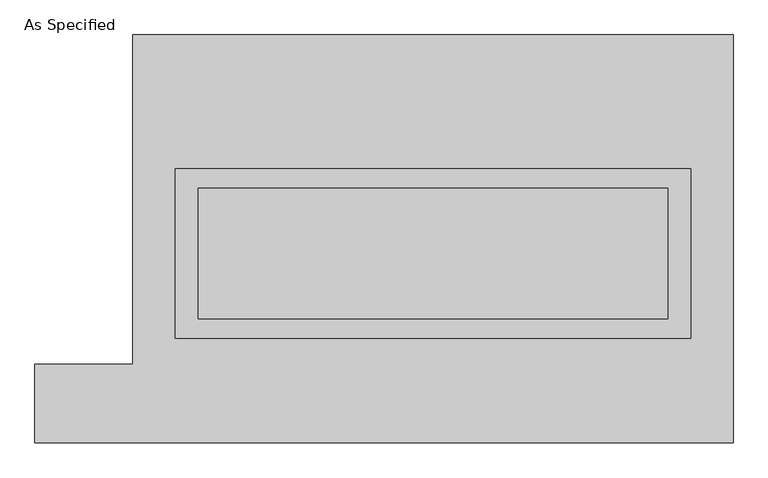
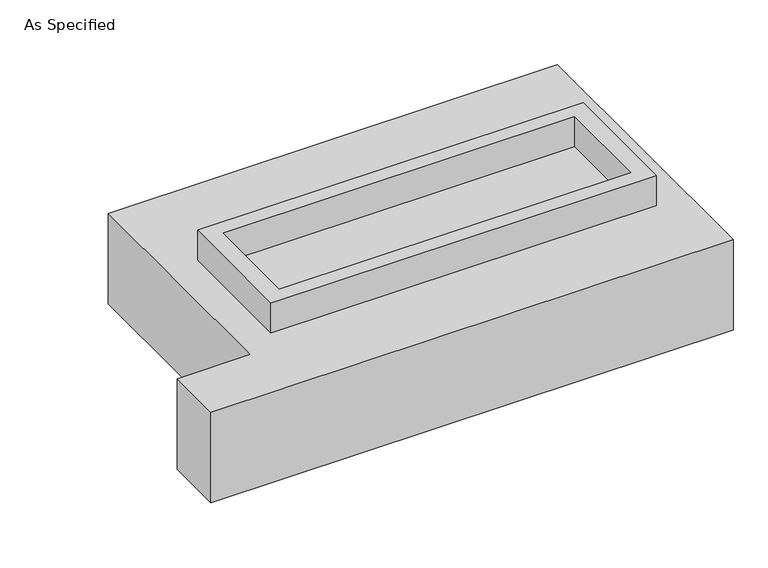
"""IFC4 building model written with IfcOpenShell, lengths in millimetres: proxy geometry, As Specified."""

from ifc_helpers import new_model, si_unit, frame, origin, place, context, project, spatial, polyline, outline, extrude, source, transform, mapped, element, save


def as_specified_85d3f192(model_context):
    return source(origin(), model_context, "Body", "SweptSolid", [
        extrude(outline(polyline([(1003.3, 273.05), (1003.3, -387.35), (-1003.3, -387.35), (-1003.3, 273.05), (1003.3, 273.05)]), holes=[polyline([(914.4, 196.85), (-914.4, 196.85), (-914.4, -311.15), (914.4, -311.15), (914.4, 196.85)])]), frame((0.0, 0.0, -688.975), z_axis=(0.0, 0.0, 1.0), x_axis=(1.0, 0.0, 0.0)), (0.0, 0.0, 1.0), 165.1),
        extrude(outline(polyline([(1003.3, 273.05), (1003.3, -387.35), (-1003.3, -387.35), (-1003.3, 273.05), (1003.3, 273.05)]), holes=[polyline([(914.4, 196.85), (-914.4, 196.85), (-914.4, -311.15), (914.4, -311.15), (914.4, 196.85)])]), frame((0.0, 0.0, -25.4), z_axis=(0.0, 0.0, 1.0), x_axis=(1.0, 0.0, 0.0)), (0.0, 0.0, 1.0), 165.1),
        extrude(outline(polyline([(914.4, 196.85), (914.4, -311.15), (-914.4, -311.15), (-914.4, 196.85), (914.4, 196.85)])), frame((0.0, 0.0, -523.875), z_axis=(0.0, 0.0, 1.0), x_axis=(1.0, 0.0, 0.0)), (0.0, 0.0, 1.0), 4.9609375),
        extrude(outline(polyline([(914.4, 196.85), (914.4, -311.15), (-914.4, -311.15), (-914.4, 196.85), (914.4, 196.85)])), frame((0.0, 0.0, -30.3609375), z_axis=(0.0, 0.0, 1.0), x_axis=(1.0, 0.0, 0.0)), (0.0, 0.0, 1.0), 4.9609375),
        extrude(outline(polyline([(-1168.4, 793.75), (1168.4, 793.75), (1168.4, -793.75), (-1549.4, -793.75), (-1549.4, -488.95), (-1168.4, -488.95), (-1168.4, 793.75)]), holes=[polyline([(-1003.3, 273.05), (-1003.3, -387.35), (1003.3, -387.35), (1003.3, 273.05), (-1003.3, 273.05)])]), frame((0.0, 0.0, -523.875), z_axis=(0.0, 0.0, 1.0), x_axis=(1.0, 0.0, 0.0)), (0.0, 0.0, 1.0), 498.475),
    ])


if __name__ == "__main__":
    model = new_model("IFC4")
    model_context = context("Model", 3, world=origin())
    ifc_project = project(units=[si_unit("LENGTHUNIT", "METRE", prefix="MILLI")], contexts=[model_context])
    site = spatial("IfcSite", under=ifc_project)
    building = spatial("IfcBuilding", under=site)
    placement = place(None, origin())
    as_specified_shape = as_specified_85d3f192(model_context)
    element("IfcBuildingElementProxy", 1, Name="As Specified", ObjectType="As Specified", at=placement, inside=building, context=model_context, shape_type="MappedRepresentation", body=[
        mapped(as_specified_shape, transform((0.0, 0.0, 0.0), x_axis=(1.0, 0.0, 0.0), y_axis=(0.0, 1.0, 0.0), z_axis=(0.0, 0.0, 1.0))),
    ])
    save(model, "model.ifc")
